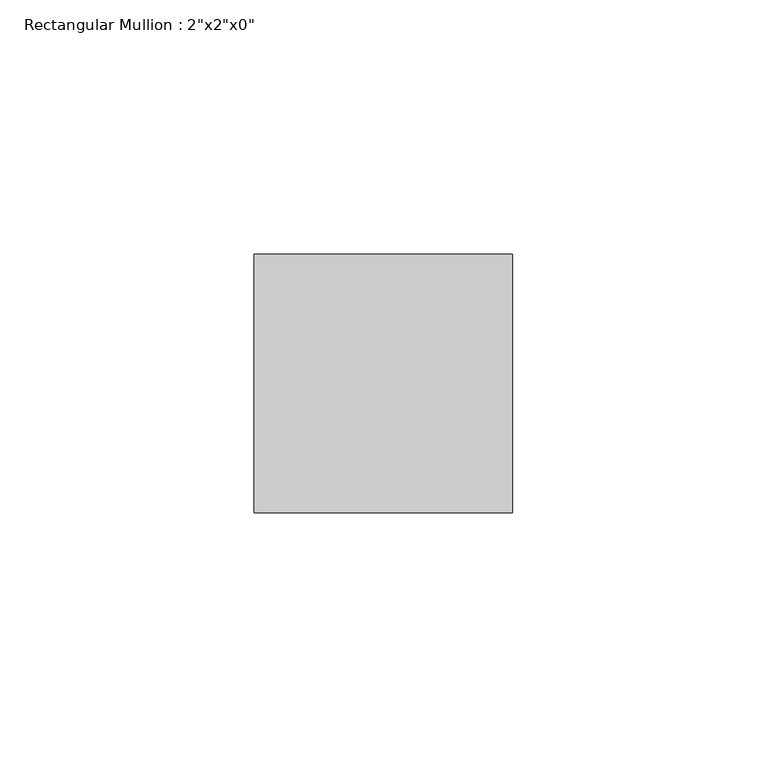
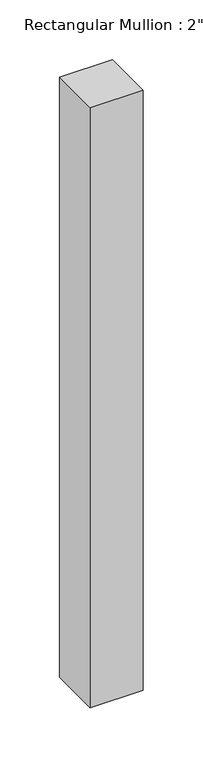
"""IFC4 building model written with IfcOpenShell, lengths in millimetres: member geometry."""

from ifc_helpers import new_model, si_unit, frame, origin, place, context, project, spatial, polyline, outline, extrude, source, transform, mapped, element, save


def member_1bd3c68f(model_context):
    return source(origin(), model_context, "Body", "SweptSolid", [
        extrude(outline(polyline([(0.0, 25.4), (0.0, -25.4), (-50.8, -25.4), (-50.8, 25.4), (0.0, 25.4)])), frame((0.0, 0.0, -611.1008804), z_axis=(0.0, 0.0, 1.0), x_axis=(1.0, 0.0, 0.0)), (0.0, 0.0, 1.0), 611.1008804),
    ])


if __name__ == "__main__":
    model = new_model("IFC4")
    model_context = context("Model", 3, world=origin())
    ifc_project = project(units=[si_unit("LENGTHUNIT", "METRE", prefix="MILLI")], contexts=[model_context])
    site = spatial("IfcSite", under=ifc_project)
    building = spatial("IfcBuilding", under=site)
    placement = place(None, origin())
    member_shape = member_1bd3c68f(model_context)
    element("IfcMember", 1, ObjectType="Rectangular Mullion : 2\"x2\"x0\"", at=placement, inside=building, context=model_context, shape_type="MappedRepresentation", body=[
        mapped(member_shape, transform((0.0, 0.0, 0.0), x_axis=(1.0, 0.0, 0.0), y_axis=(0.0, 1.0, 0.0), z_axis=(0.0, 0.0, 1.0))),
    ])
    save(model, "model.ifc")
